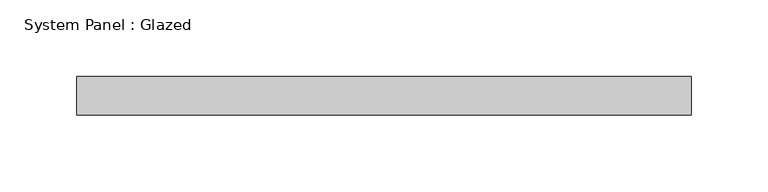
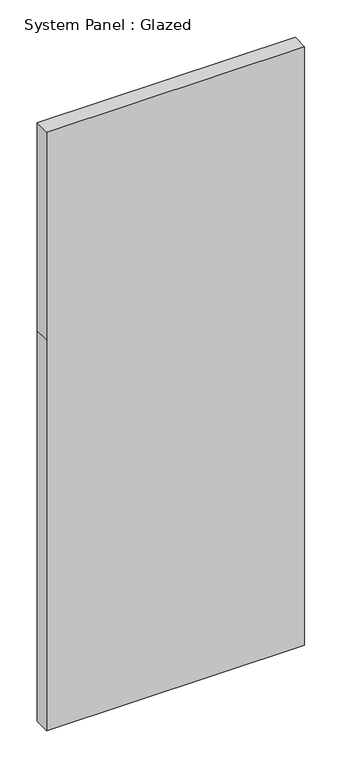
"""IFC4 building model written with IfcOpenShell, lengths in millimetres: plate geometry, System Panel : Glazed."""

from ifc_helpers import new_model, si_unit, frame, origin, place, context, project, spatial, polyline, outline, extrude, source, transform, mapped, element, save


def system_panel_glazed_497aab96(model_context):
    return source(origin(), model_context, "Body", "SweptSolid", [
        extrude(outline(polyline([(0.0, -200.0), (0.0, 200.0), (640.0, 200.0), (980.0, 200.0), (980.0, -200.0), (640.0, -200.0), (0.0, -200.0)])), frame((0.0, -37.5, 0.0), z_axis=(0.0, 1.0, 0.0), x_axis=(0.0, 0.0, 1.0)), (0.0, 0.0, 1.0), 25.0),
    ])


if __name__ == "__main__":
    model = new_model("IFC4")
    model_context = context("Model", 3, world=origin())
    ifc_project = project(units=[si_unit("LENGTHUNIT", "METRE", prefix="MILLI")], contexts=[model_context])
    site = spatial("IfcSite", under=ifc_project)
    building = spatial("IfcBuilding", under=site)
    placement = place(None, origin())
    system_panel_glazed_shape = system_panel_glazed_497aab96(model_context)
    element("IfcPlate", 1, ObjectType="System Panel : Glazed", at=placement, inside=building, context=model_context, shape_type="MappedRepresentation", body=[
        mapped(system_panel_glazed_shape, transform((0.0, 0.0, 0.0), x_axis=(1.0, 0.0, 0.0), y_axis=(0.0, 1.0, 0.0), z_axis=(0.0, 0.0, 1.0))),
    ])
    save(model, "model.ifc")
